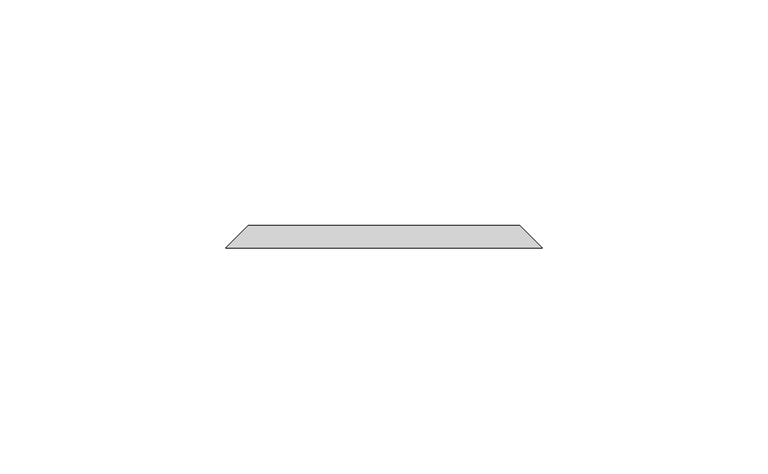
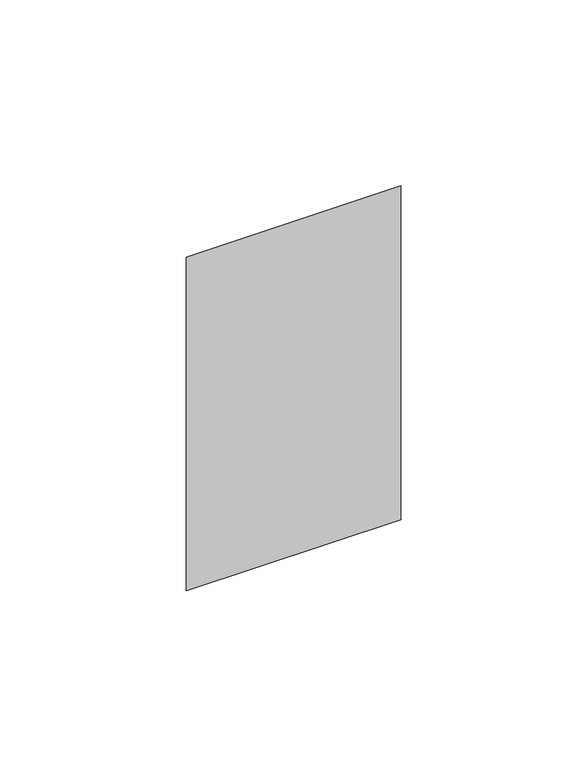
"""IFC4 building model written with IfcOpenShell, lengths in millimetres: proxy geometry."""

from ifc_helpers import new_model, si_unit, origin, place, context, project, spatial, faceted_brep, source, transform, mapped, element, save


def electrical_fixtures_c69304ef(model_context):
    return source(origin(), model_context, "Body", "Brep", [
        faceted_brep([(95.0, 67.0, 1252.5), (155.0, 67.0, 1252.5), (155.0, 67.0, 1147.5), (95.0, 67.0, 1147.5), (90.0, 62.0, 1257.5), (90.0, 62.0, 1142.5), (160.0, 62.0, 1142.5), (160.0, 62.0, 1257.5)], [[[0, 1, 2, 3]], [[4, 5, 6, 7]], [[4, 7, 1, 0]], [[7, 6, 2, 1]], [[6, 5, 3, 2]], [[5, 4, 0, 3]]]),
    ])


if __name__ == "__main__":
    model = new_model("IFC4")
    model_context = context("Model", 3, world=origin())
    ifc_project = project(units=[si_unit("LENGTHUNIT", "METRE", prefix="MILLI")], contexts=[model_context])
    site = spatial("IfcSite", under=ifc_project)
    building = spatial("IfcBuilding", under=site)
    placement = place(None, origin())
    electrical_fixtures_shape = electrical_fixtures_c69304ef(model_context)
    element("IfcBuildingElementProxy", 1, Name="Electrical Fixtures", at=placement, inside=building, context=model_context, shape_type="MappedRepresentation", body=[
        mapped(electrical_fixtures_shape, transform((0.0, 0.0, 0.0), x_axis=(1.0, 0.0, 0.0), y_axis=(0.0, 1.0, 0.0), z_axis=(0.0, 0.0, 1.0))),
    ])
    save(model, "model.ifc")
